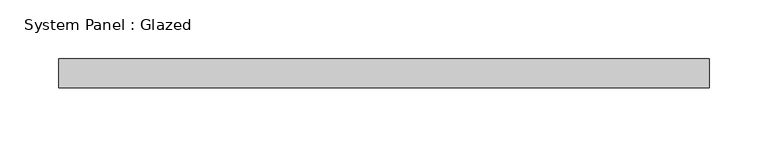
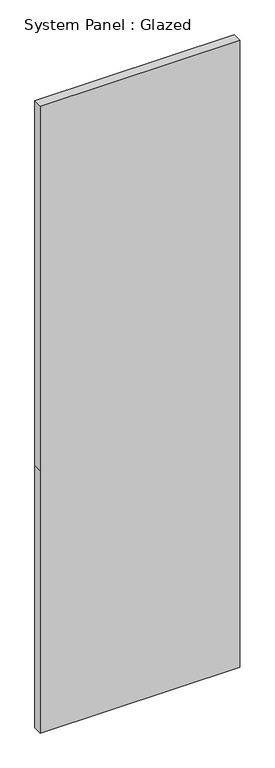
"""IFC4 building model written with IfcOpenShell, lengths in millimetres: plate geometry, System Panel : Glazed."""

from ifc_helpers import new_model, si_unit, frame, origin, place, context, project, spatial, polyline, outline, extrude, source, transform, mapped, element, save


def system_panel_glazed_1bcf40f0(model_context):
    return source(origin(), model_context, "Body", "SweptSolid", [
        extrude(outline(polyline([(0.0, -278.0), (0.0, 278.0), (773.3333333, 278.0), (1846.6666667, 278.0), (1846.6666667, -278.0), (773.3333333, -278.0), (0.0, -278.0)])), frame((0.0, 24.5, 0.0), z_axis=(0.0, 1.0, 0.0), x_axis=(0.0, 0.0, 1.0)), (0.0, 0.0, 1.0), 25.0),
    ])


if __name__ == "__main__":
    model = new_model("IFC4")
    model_context = context("Model", 3, world=origin())
    ifc_project = project(units=[si_unit("LENGTHUNIT", "METRE", prefix="MILLI")], contexts=[model_context])
    site = spatial("IfcSite", under=ifc_project)
    building = spatial("IfcBuilding", under=site)
    placement = place(None, origin())
    system_panel_glazed_shape = system_panel_glazed_1bcf40f0(model_context)
    element("IfcPlate", 1, ObjectType="System Panel : Glazed", at=placement, inside=building, context=model_context, shape_type="MappedRepresentation", body=[
        mapped(system_panel_glazed_shape, transform((0.0, 0.0, 0.0), x_axis=(1.0, 0.0, 0.0), y_axis=(0.0, 1.0, 0.0), z_axis=(0.0, 0.0, 1.0))),
    ])
    save(model, "model.ifc")
